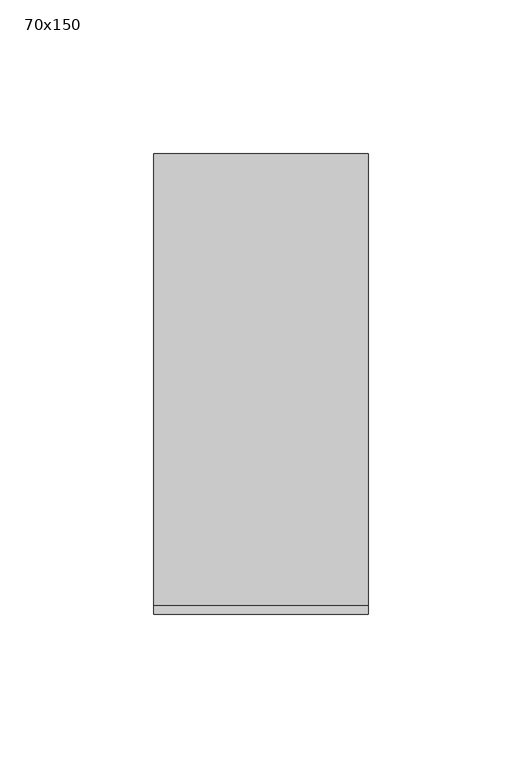
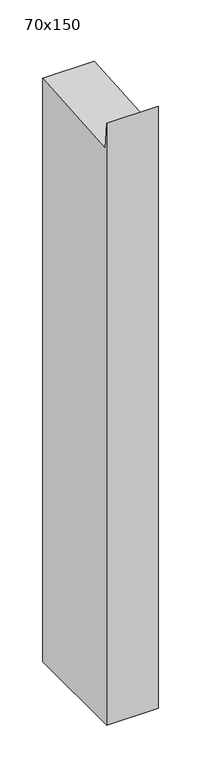
"""IFC4 building model written with IfcOpenShell, lengths in millimetres: member geometry, 70x150."""

from ifc_helpers import new_model, si_unit, frame, origin, place, context, project, spatial, polyline, outline, extrude, source, transform, mapped, element, save


def member_70x150_91355738(model_context):
    return source(origin(), model_context, "Body", "SweptSolid", [
        extrude(outline(polyline([(-75.0, 32.1560401), (-72.1340754, -5.5792455), (75.0, 5.5953132), (75.0, -830.0), (-75.0, -830.0), (-75.0, 32.1560401)])), frame((-70.0, 0.0, 0.0), z_axis=(1.0, 0.0, 0.0), x_axis=(0.0, 1.0, 0.0)), (0.0, 0.0, 1.0), 70.0),
    ])


if __name__ == "__main__":
    model = new_model("IFC4")
    model_context = context("Model", 3, world=origin())
    ifc_project = project(units=[si_unit("LENGTHUNIT", "METRE", prefix="MILLI")], contexts=[model_context])
    site = spatial("IfcSite", under=ifc_project)
    building = spatial("IfcBuilding", under=site)
    placement = place(None, origin())
    member_70x150_shape = member_70x150_91355738(model_context)
    element("IfcMember", 1, ObjectType="70x150", at=placement, inside=building, context=model_context, shape_type="MappedRepresentation", body=[
        mapped(member_70x150_shape, transform((0.0, 0.0, 0.0), x_axis=(1.0, 0.0, 0.0), y_axis=(0.0, 1.0, 0.0), z_axis=(0.0, 0.0, 1.0))),
    ])
    save(model, "model.ifc")
